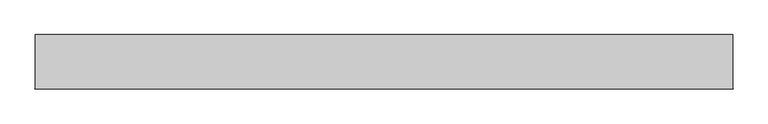
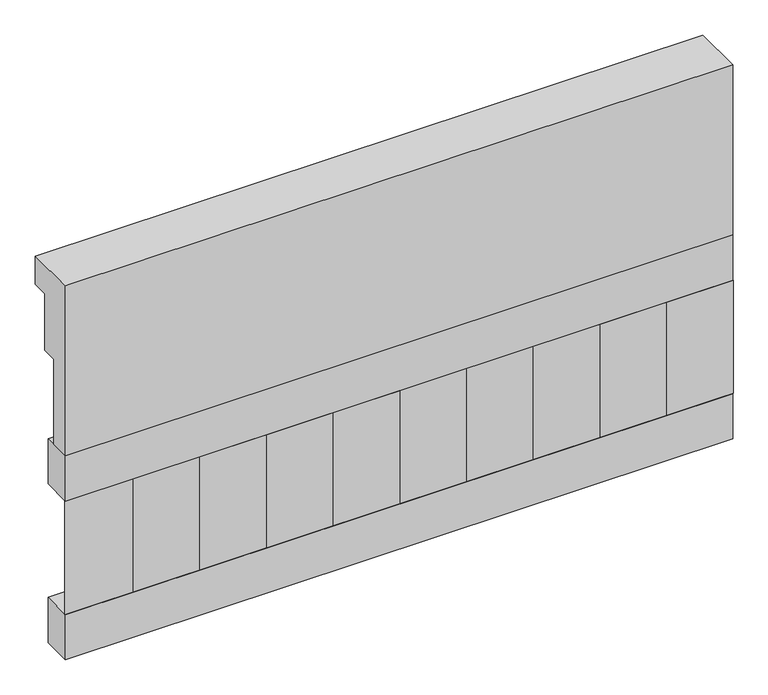
"""IFC4 building model written with IfcOpenShell, lengths in millimetres: railing geometry."""

from ifc_helpers import new_model, si_unit, frame, origin, place, context, project, spatial, polyline, outline, extrude, source, transform, mapped, element, save


def railing_51117c60(model_context):
    return source(origin(), model_context, "Body", "SweptSolid", [
        extrude(outline(polyline([(903.1079487, 21800.0), (1033.1079487, 21800.0), (1033.1079487, 21725.0), (993.1079487, 21725.0), (993.1079487, 21575.0), (953.1079487, 21575.0), (953.1079487, 21350.0), (903.1079487, 21350.0), (903.1079487, 21800.0)])), frame((-26239.9887159, 0.0, 0.0), z_axis=(1.0, 0.0, 0.0), x_axis=(0.0, 1.0, 0.0)), (0.0, 0.0, 1.0), 1670.0),
        extrude(outline(polyline([(-24569.9887159, 978.1079487), (-24569.9887159, 903.1079487), (-26239.9887159, 903.1079487), (-26239.9887159, 978.1079487), (-24569.9887159, 978.1079487)])), frame((0.0, 0.0, 21230.0), z_axis=(0.0, 0.0, 1.0), x_axis=(1.0, 0.0, 0.0)), (0.0, 0.0, 1.0), 120.0),
        extrude(outline(polyline([(-24569.9887159, 978.1079487), (-24569.9887159, 903.1079487), (-26239.9887159, 903.1079487), (-26239.9887159, 978.1079487), (-24569.9887159, 978.1079487)])), frame((0.0, 0.0, 20810.0), z_axis=(0.0, 0.0, 1.0), x_axis=(1.0, 0.0, 0.0)), (0.0, 0.0, 1.0), 120.0),
        extrude(outline(polyline([(-26156.4887159, 987.9607624), (-26071.6359022, 903.1079487), (-26241.3415296, 903.1079487), (-26156.4887159, 987.9607624)])), frame((0.0, 0.0, 20930.0), z_axis=(0.0, 0.0, 1.0), x_axis=(1.0, 0.0, 0.0)), (0.0, 0.0, 1.0), 300.0),
        extrude(outline(polyline([(-25989.4887159, 987.9607624), (-25904.6359022, 903.1079487), (-26074.3415296, 903.1079487), (-25989.4887159, 987.9607624)])), frame((0.0, 0.0, 20930.0), z_axis=(0.0, 0.0, 1.0), x_axis=(1.0, 0.0, 0.0)), (0.0, 0.0, 1.0), 300.0),
        extrude(outline(polyline([(-25822.4887159, 987.9607624), (-25737.6359022, 903.1079487), (-25907.3415296, 903.1079487), (-25822.4887159, 987.9607624)])), frame((0.0, 0.0, 20930.0), z_axis=(0.0, 0.0, 1.0), x_axis=(1.0, 0.0, 0.0)), (0.0, 0.0, 1.0), 300.0),
        extrude(outline(polyline([(-25655.4887159, 987.9607624), (-25570.6359022, 903.1079487), (-25740.3415296, 903.1079487), (-25655.4887159, 987.9607624)])), frame((0.0, 0.0, 20930.0), z_axis=(0.0, 0.0, 1.0), x_axis=(1.0, 0.0, 0.0)), (0.0, 0.0, 1.0), 300.0),
        extrude(outline(polyline([(-25488.4887159, 987.9607624), (-25403.6359022, 903.1079487), (-25573.3415296, 903.1079487), (-25488.4887159, 987.9607624)])), frame((0.0, 0.0, 20930.0), z_axis=(0.0, 0.0, 1.0), x_axis=(1.0, 0.0, 0.0)), (0.0, 0.0, 1.0), 300.0),
        extrude(outline(polyline([(-25321.4887159, 987.9607624), (-25236.6359022, 903.1079487), (-25406.3415296, 903.1079487), (-25321.4887159, 987.9607624)])), frame((0.0, 0.0, 20930.0), z_axis=(0.0, 0.0, 1.0), x_axis=(1.0, 0.0, 0.0)), (0.0, 0.0, 1.0), 300.0),
        extrude(outline(polyline([(-25154.4887159, 987.9607624), (-25069.6359022, 903.1079487), (-25239.3415296, 903.1079487), (-25154.4887159, 987.9607624)])), frame((0.0, 0.0, 20930.0), z_axis=(0.0, 0.0, 1.0), x_axis=(1.0, 0.0, 0.0)), (0.0, 0.0, 1.0), 300.0),
        extrude(outline(polyline([(-24987.4887159, 987.9607624), (-24902.6359022, 903.1079487), (-25072.3415296, 903.1079487), (-24987.4887159, 987.9607624)])), frame((0.0, 0.0, 20930.0), z_axis=(0.0, 0.0, 1.0), x_axis=(1.0, 0.0, 0.0)), (0.0, 0.0, 1.0), 300.0),
        extrude(outline(polyline([(-24820.4887159, 987.9607624), (-24735.6359022, 903.1079487), (-24905.3415296, 903.1079487), (-24820.4887159, 987.9607624)])), frame((0.0, 0.0, 20930.0), z_axis=(0.0, 0.0, 1.0), x_axis=(1.0, 0.0, 0.0)), (0.0, 0.0, 1.0), 300.0),
        extrude(outline(polyline([(-24653.4887159, 987.9607624), (-24568.6359022, 903.1079487), (-24738.3415296, 903.1079487), (-24653.4887159, 987.9607624)])), frame((0.0, 0.0, 20930.0), z_axis=(0.0, 0.0, 1.0), x_axis=(1.0, 0.0, 0.0)), (0.0, 0.0, 1.0), 300.0),
    ])


if __name__ == "__main__":
    model = new_model("IFC4")
    model_context = context("Model", 3, world=origin())
    ifc_project = project(units=[si_unit("LENGTHUNIT", "METRE", prefix="MILLI")], contexts=[model_context])
    site = spatial("IfcSite", under=ifc_project)
    building = spatial("IfcBuilding", under=site)
    placement = place(None, origin())
    railing_shape = railing_51117c60(model_context)
    element("IfcRailing", 1, at=placement, inside=building, context=model_context, shape_type="MappedRepresentation", body=[
        mapped(railing_shape, transform((0.0, 0.0, 0.0), x_axis=(1.0, 0.0, 0.0), y_axis=(0.0, 1.0, 0.0), z_axis=(0.0, 0.0, 1.0))),
    ])
    save(model, "model.ifc")
